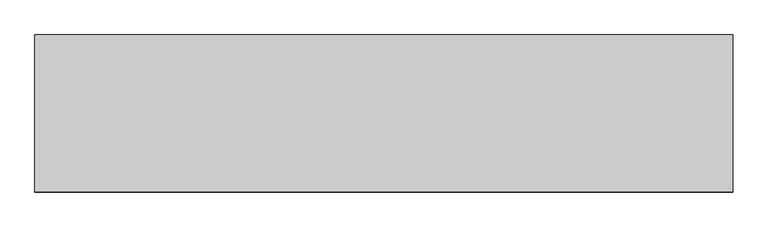
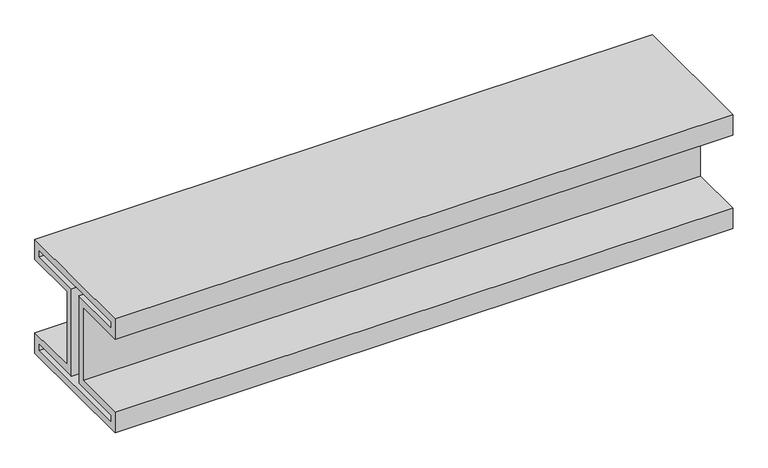
"""IFC4 building model written with IfcOpenShell, lengths in millimetres: proxy geometry."""

from ifc_helpers import new_model, si_unit, frame, origin, place, context, project, spatial, polyline, outline, extrude, source, transform, mapped, element, save


def generic_models_b016b720(model_context):
    return source(origin(), model_context, "Body", "SweptSolid", [
        extrude(outline(polyline([(-225.0, 195.0), (225.0, 195.0), (225.0, 125.0), (45.0, 125.0), (45.0, -125.0), (225.0, -125.0), (225.0, -195.0), (-225.0, -195.0), (-225.0, -125.0), (-45.0, -125.0), (-45.0, 125.0), (-225.0, 125.0), (-225.0, 195.0)]), holes=[polyline([(200.0, 150.0), (200.0, 170.0), (-200.0, 170.0), (-200.0, 150.0), (-20.0, 150.0), (-20.0, -150.0), (-200.0, -150.0), (-200.0, -170.0), (200.0, -170.0), (200.0, -150.0), (20.0, -150.0), (20.0, 150.0), (200.0, 150.0)])]), frame((-1000.0, 0.0, 0.0), z_axis=(1.0, 0.0, 0.0), x_axis=(0.0, 1.0, 0.0)), (0.0, 0.0, 1.0), 2000.0),
    ])


if __name__ == "__main__":
    model = new_model("IFC4")
    model_context = context("Model", 3, world=origin())
    ifc_project = project(units=[si_unit("LENGTHUNIT", "METRE", prefix="MILLI")], contexts=[model_context])
    site = spatial("IfcSite", under=ifc_project)
    building = spatial("IfcBuilding", under=site)
    placement = place(None, origin())
    generic_models_shape = generic_models_b016b720(model_context)
    element("IfcBuildingElementProxy", 1, Name="Generic Models", at=placement, inside=building, context=model_context, shape_type="MappedRepresentation", body=[
        mapped(generic_models_shape, transform((0.0, 0.0, 0.0), x_axis=(1.0, 0.0, 0.0), y_axis=(0.0, 1.0, 0.0), z_axis=(0.0, 0.0, 1.0))),
    ])
    save(model, "model.ifc")
